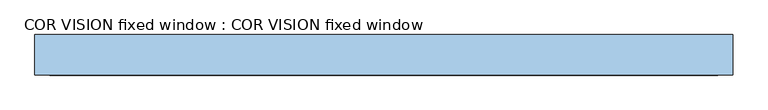
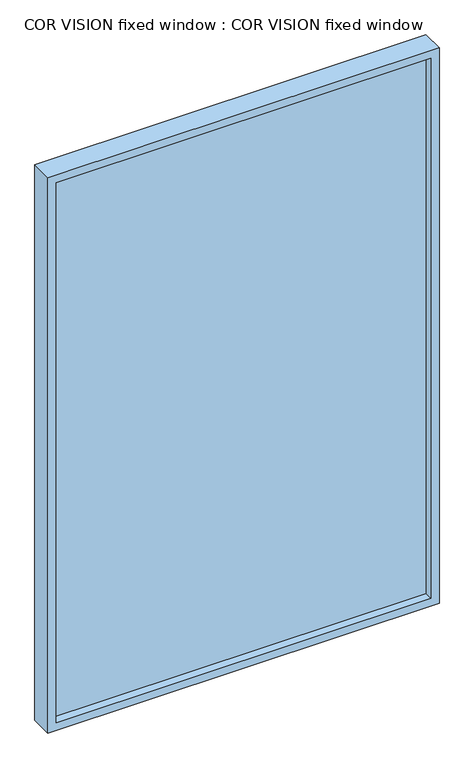
"""IFC4 building model written with IfcOpenShell, lengths in millimetres: window geometry, COR VISION fixed window : COR VISION fixed window."""

from ifc_helpers import new_model, si_unit, frame, origin, place, context, project, spatial, polyline, outline, extrude, faceted_brep, source, transform, mapped, element, save


def cor_vision_fixed_window_cor_vision_fixed_window_239c7e69(model_context):
    return source(origin(), model_context, "Body", "SolidModel", [
        extrude(outline(polyline([(-471.956434, -57.1017409), (-471.956434, -27.1017409), (1471.956434, -27.1017409), (1471.956434, -57.1017409), (-471.956434, -57.1017409)])), frame((0.0, 0.0, 28.043566), z_axis=(0.0, 0.0, 1.0), x_axis=(1.0, 0.0, 0.0)), (0.0, 0.0, 1.0), 2943.9128681),
        faceted_brep([(-458.0, 15.8, 2958.0), (-458.0, -27.1017409, 2958.0), (-458.0, -27.1017409, 42.0), (-458.0, 15.8, 42.0), (-471.956434, -27.1017409, 2971.956434), (-471.956434, -27.1017409, 28.043566), (1471.956434, -27.1017409, 28.043566), (1471.956434, -27.1017409, 2971.956434), (1458.0, -27.1017409, 2958.0), (1458.0, -27.1017409, 42.0), (1458.0, 15.8, 42.0), (1500.0, 15.8, 3000.0), (1500.0, 15.8, 0.0), (-500.0, 15.8, 0.0), (-500.0, 15.8, 3000.0), (1458.0, 15.8, 2958.0), (-500.0, -100.0, 3000.0), (-500.0, -100.0, 0.0), (1500.0, -100.0, 0.0), (1500.0, -100.0, 3000.0), (1458.0, -100.0, 2958.0), (1458.0, -100.0, 42.0), (-458.0, -100.0, 42.0), (-458.0, -100.0, 2958.0), (1458.0, -57.1017409, 42.0), (1458.0, -57.1017409, 2958.0), (-458.0, -57.1017409, 42.0), (-458.0, -57.1017409, 2958.0), (1471.956434, -57.1017409, 2971.956434), (1471.956434, -57.1017409, 28.043566), (-471.956434, -57.1017409, 28.043566), (-471.956434, -57.1017409, 2971.956434)], [[[0, 1, 2, 3]], [[4, 5, 6, 7], [8, 9, 2, 1]], [[3, 2, 9, 10]], [[11, 12, 13, 14], [0, 3, 10, 15]], [[16, 14, 13, 17]], [[17, 13, 12, 18]], [[16, 17, 18, 19], [20, 21, 22, 23]], [[10, 9, 8, 15]], [[18, 12, 11, 19]], [[24, 21, 20, 25]], [[26, 22, 21, 24]], [[27, 23, 22, 26]], [[28, 29, 30, 31], [27, 26, 24, 25]], [[4, 31, 30, 5]], [[5, 30, 29, 6]], [[6, 29, 28, 7]], [[15, 8, 1, 0]], [[19, 11, 14, 16]], [[25, 20, 23, 27]], [[7, 28, 31, 4]]]),
    ])


if __name__ == "__main__":
    model = new_model("IFC4")
    model_context = context("Model", 3, world=origin())
    ifc_project = project(units=[si_unit("LENGTHUNIT", "METRE", prefix="MILLI")], contexts=[model_context])
    site = spatial("IfcSite", under=ifc_project)
    building = spatial("IfcBuilding", under=site)
    placement = place(None, origin())
    cor_vision_fixed_window_cor_vision_fixed_window_shape = cor_vision_fixed_window_cor_vision_fixed_window_239c7e69(model_context)
    element("IfcWindow", 1, ObjectType="COR VISION fixed window : COR VISION fixed window", at=placement, inside=building, context=model_context, shape_type="MappedRepresentation", body=[
        mapped(cor_vision_fixed_window_cor_vision_fixed_window_shape, transform((0.0, 0.0, 0.0), x_axis=(1.0, 0.0, 0.0), y_axis=(0.0, 1.0, 0.0), z_axis=(0.0, 0.0, 1.0))),
    ])
    save(model, "model.ifc")
